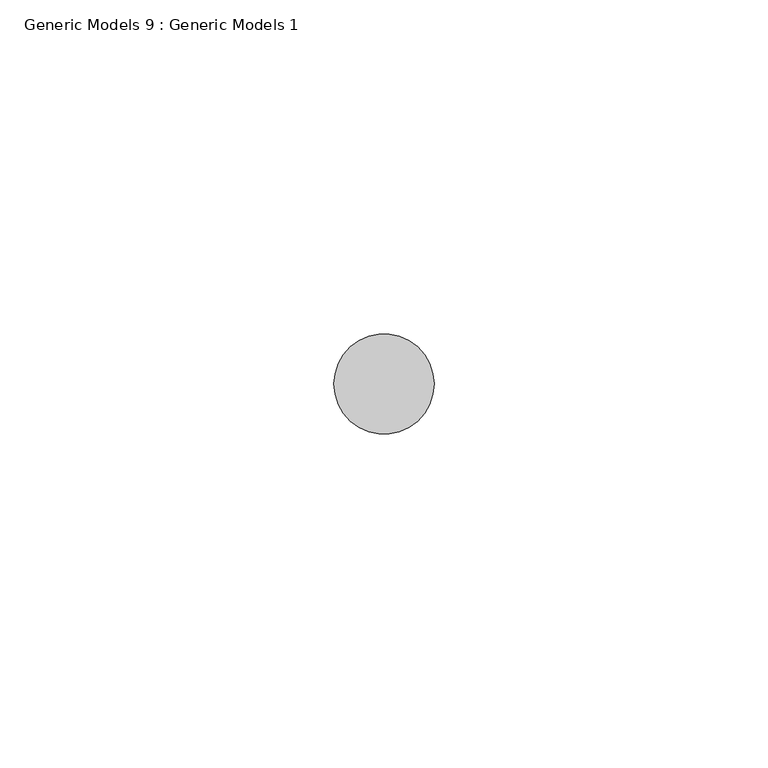
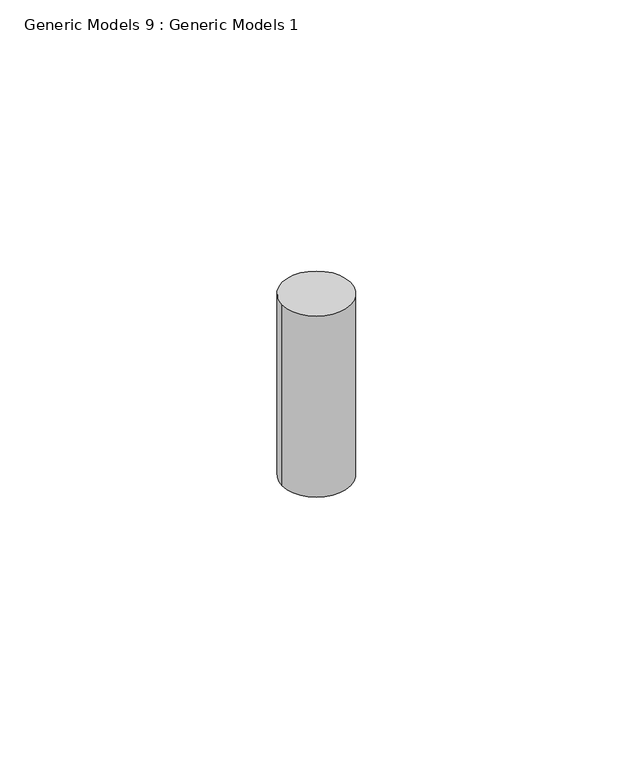
"""IFC4 building model written with IfcOpenShell, lengths in millimetres: proxy geometry, Generic Models 9 : Generic Models 1."""

from ifc_helpers import new_model, si_unit, point, frame, frame_2d, origin, place, context, project, spatial, circle_curve, trimmed, segment, composite_curve, outline, extrude, source, transform, mapped, element, save


def generic_models_9_generic_models_1_ac96f545(model_context):
    return source(origin(), model_context, "Body", "SweptSolid", [
        extrude(outline(composite_curve([segment(trimmed(circle_curve(frame_2d((3886.8571724, 400.3057469)), 7.5), [point((3894.3571724, 400.3057469))], [point((3879.3571724, 400.3057469))], False, "CARTESIAN"), True, "CONTINUOUS"), segment(trimmed(circle_curve(frame_2d((3886.8571724, 400.3057469)), 7.5), [point((3879.3571724, 400.3057469))], [point((3894.3571724, 400.3057469))], False, "CARTESIAN"), True, "CONTINUOUS")], self_intersect=False)), frame((0.0, 0.0, -826.6691196), z_axis=(0.0, 0.0, 1.0), x_axis=(1.0, 0.0, 0.0)), (0.0, 0.0, 1.0), 42.0000012),
    ])


if __name__ == "__main__":
    model = new_model("IFC4")
    model_context = context("Model", 3, world=origin())
    ifc_project = project(units=[si_unit("LENGTHUNIT", "METRE", prefix="MILLI")], contexts=[model_context])
    site = spatial("IfcSite", under=ifc_project)
    building = spatial("IfcBuilding", under=site)
    placement = place(None, origin())
    generic_models_9_generic_models_1_shape = generic_models_9_generic_models_1_ac96f545(model_context)
    element("IfcBuildingElementProxy", 1, Name="Generic Models 9 : Generic Models 1", ObjectType="Generic Models 9 : Generic Models 1", at=placement, inside=building, context=model_context, shape_type="MappedRepresentation", body=[
        mapped(generic_models_9_generic_models_1_shape, transform((0.0, 0.0, 0.0), x_axis=(1.0, 0.0, 0.0), y_axis=(0.0, 1.0, 0.0), z_axis=(0.0, 0.0, 1.0))),
    ])
    save(model, "model.ifc")
